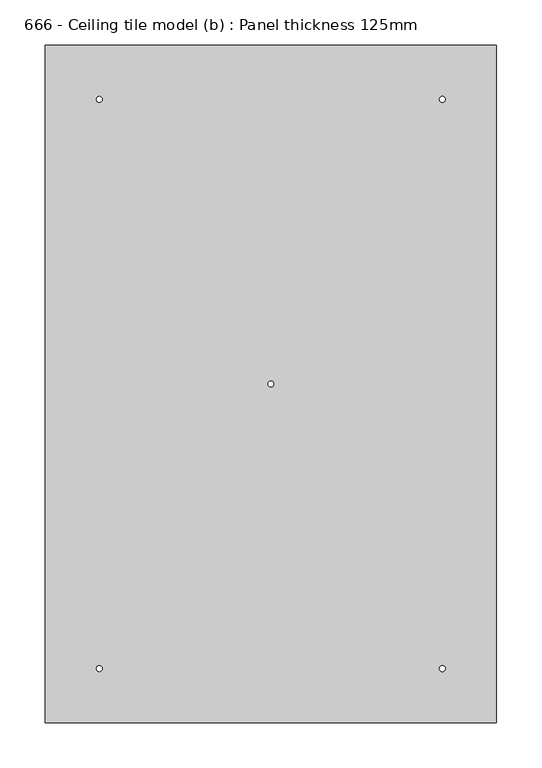
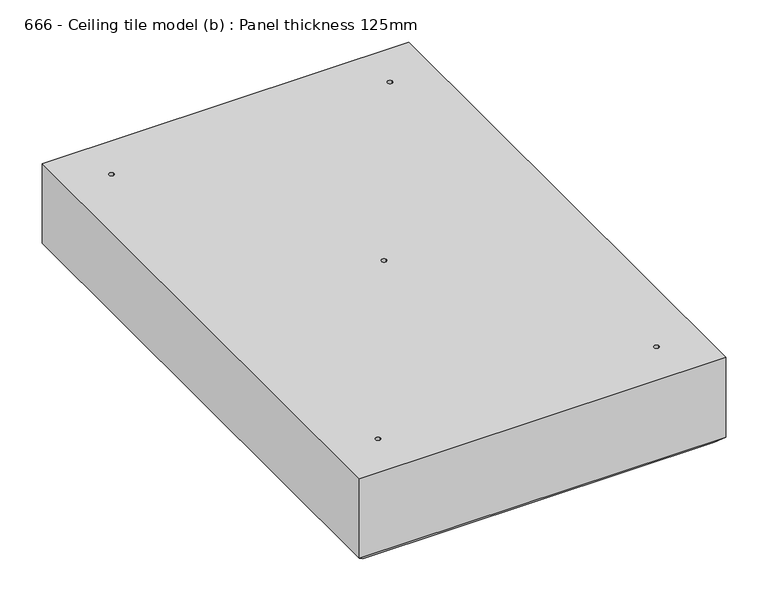
"""IFC4 building model written with IfcOpenShell, lengths in millimetres: proxy geometry, 666 - Ceiling tile model (b) : Panel thickness 125mm."""

import ifcopenshell
import ifcopenshell.guid

model = None  # the IFC model being written
_history = None  # IfcOwnerHistory: only IFC2X3 demands one
_inside = {}  # id of a spatial element -> (the spatial element, [elements in it])
_under = {}  # id of a project, library or spatial element -> (it, [spatial elements below it])
_declared = {}  # id of a project -> (the project, [libraries it declares])
_typed = {}  # id of a type object -> (the type object, [elements of that type])
_made_of = {}  # id of a material, layer set ... -> (it, [elements and type objects made of it])


def new_model(schema):
    """Start an empty IFC model of exactly this schema.

    Asked for "IFC4X3", IfcOpenShell would pick the latest addendum, in which some entities
    have other attributes; the version numbers below select the first issue.
    IFC2X3 requires an IfcOwnerHistory on every rooted entity: one is made here for all.
    """
    global model, _history
    if schema == "IFC4X3":
        model = ifcopenshell.file(schema_version=(4, 3, 0, 0))
    else:
        model = ifcopenshell.file(schema=schema)
    _inside.clear()
    _under.clear()
    _declared.clear()
    _typed.clear()
    _made_of.clear()
    _history = None
    if model.schema == "IFC2X3":
        org = make("IfcOrganization", Name="unknown")
        user = make(
            "IfcPersonAndOrganization",
            ThePerson=make("IfcPerson", FamilyName="unknown"),
            TheOrganization=org,
        )
        app = make(
            "IfcApplication",
            ApplicationDeveloper=org,
            Version="unknown",
            ApplicationFullName="unknown",
            ApplicationIdentifier="unknown",
        )
        _history = make(
            "IfcOwnerHistory",
            OwningUser=user,
            OwningApplication=app,
            ChangeAction="ADDED",
            CreationDate=0,
        )
    return model


def make(cls, **values):
    """One entity of the class cls with the attributes given. An attribute that is None is left unset."""
    return model.create_entity(
        cls, **{name: value for name, value in values.items() if value is not None}
    )


def rooted(cls, **values):
    """An entity with a GlobalId (a new one), such as an element, a storey or a relation."""
    return make(cls, GlobalId=ifcopenshell.guid.new(), OwnerHistory=_history, **values)


def si_unit(unit_type, name, prefix=None):
    """IfcSIUnit, for example si_unit("LENGTHUNIT", "METRE", prefix="MILLI")."""
    return make("IfcSIUnit", UnitType=unit_type, Prefix=prefix, Name=name)


def assignment(units):
    """IfcUnitAssignment: the units of a project."""
    return None if units is None else make("IfcUnitAssignment", Units=units)


def point(xyz):
    """IfcCartesianPoint."""
    return None if xyz is None else make("IfcCartesianPoint", Coordinates=xyz)


def direction(xyz):
    """IfcDirection."""
    return None if xyz is None else make("IfcDirection", DirectionRatios=xyz)


def frame(location, z_axis=None, x_axis=None):
    """IfcAxis2Placement3D, a coordinate frame: its origin and axes. An axis left out is left unset."""
    return make(
        "IfcAxis2Placement3D",
        Location=point(location),
        Axis=direction(z_axis),
        RefDirection=direction(x_axis),
    )


def origin():
    """The frame at (0, 0, 0) with its axes left unset."""
    return frame((0.0, 0.0, 0.0))


def origin_with_axes():
    """The frame at (0, 0, 0) with the z axis (0, 0, 1) and the x axis (1, 0, 0) written out."""
    return frame((0.0, 0.0, 0.0), z_axis=(0.0, 0.0, 1.0), x_axis=(1.0, 0.0, 0.0))


def place(relative_to, where):
    """IfcLocalPlacement: puts the frame where relative to a parent placement (None: the world)."""
    return make(
        "IfcLocalPlacement", PlacementRelTo=relative_to, RelativePlacement=where
    )


def context(
    kind, dimensions, precision=None, world=None, true_north=None, identifier=None
):
    """IfcGeometricRepresentationContext, for example the 3D "Model" context."""
    return make(
        "IfcGeometricRepresentationContext",
        ContextIdentifier=identifier,
        ContextType=kind,
        CoordinateSpaceDimension=dimensions,
        Precision=precision,
        WorldCoordinateSystem=world,
        TrueNorth=true_north,
    )


def project(units=None, contexts=None):
    """IfcProject with its units and contexts."""
    return rooted(
        "IfcProject",
        Name="project",
        RepresentationContexts=contexts,
        UnitsInContext=assignment(units),
    )


def spatial(cls, under=None, at=None, **own):
    """A site, building, storey or space (cls), placed at a placement, below another one or the project."""
    s = rooted(cls, ObjectPlacement=at, **own)
    if under is not None:
        _under.setdefault(under.id(), (under, []))[1].append(s)
    return s


def polyline(points):
    """IfcPolyline through the points."""
    return make("IfcPolyline", Points=[point(p) for p in points])


def circle_curve(where, radius):
    """IfcCircle in the frame where."""
    return make("IfcCircle", Position=where, Radius=radius)


def shape(context_of_items, identifier, shape_type, items):
    """IfcShapeRepresentation: the items that make up one representation, for example the "Body"."""
    return make(
        "IfcShapeRepresentation",
        ContextOfItems=context_of_items,
        RepresentationIdentifier=identifier,
        RepresentationType=shape_type,
        Items=items,
    )


def source(mapping_origin, context_of_items, identifier, shape_type, items):
    """IfcRepresentationMap: a shape defined once, which mapped items show again and again."""
    return make(
        "IfcRepresentationMap",
        MappingOrigin=mapping_origin,
        MappedRepresentation=shape(context_of_items, identifier, shape_type, items),
    )


def transform(
    local_origin,
    x_axis=None,
    y_axis=None,
    z_axis=None,
    scale=None,
    scale2=None,
    scale3=None,
    uniform=True,
):
    """IfcCartesianTransformationOperator3D, or its non-uniform kind. x_axis, y_axis, z_axis: its Axis1, 2, 3."""
    if uniform:
        return make(
            "IfcCartesianTransformationOperator3D",
            Axis1=direction(x_axis),
            Axis2=direction(y_axis),
            LocalOrigin=point(local_origin),
            Scale=scale,
            Axis3=direction(z_axis),
        )
    return make(
        "IfcCartesianTransformationOperator3DnonUniform",
        Axis1=direction(x_axis),
        Axis2=direction(y_axis),
        LocalOrigin=point(local_origin),
        Scale=scale,
        Axis3=direction(z_axis),
        Scale2=scale2,
        Scale3=scale3,
    )


def mapped(mapping_source, mapping_target):
    """IfcMappedItem: shows the shape of a source again, moved by a transform."""
    return make(
        "IfcMappedItem", MappingSource=mapping_source, MappingTarget=mapping_target
    )


def made_of(thing, what):
    """Note that an element or type object is made of a material, layer set ...; save() writes the relation."""
    if what is not None:
        _made_of.setdefault(what.id(), (what, []))[1].append(thing)
    return thing


def element(
    cls,
    number,
    at=None,
    inside=None,
    cuts=None,
    type_object=None,
    material=None,
    context=None,
    identifier="Body",
    shape_type=None,
    held_by="IfcProductDefinitionShape",
    body=None,
    shapes=None,
    **own,
):
    """One element of the class cls, such as IfcWall. Its Tag is "e" and its number.

    at: its placement. inside: the storey or other place that contains it. cuts: it is an
    opening in that element (IfcRelVoidsElement). A single representation is given by context,
    identifier, shape_type and body (its items); several are given by shapes. held_by: the class
    of the entity that holds the representations. save() writes the other relations.
    """
    e = rooted(cls, Tag="e%d" % number, ObjectPlacement=at, **own)
    if body is not None:
        shapes = [shape(context, identifier, shape_type, body)]
    if shapes is not None:
        e.Representation = make(held_by, Representations=shapes)
    if inside is not None:
        _inside.setdefault(inside.id(), (inside, []))[1].append(e)
    if cuts is not None:
        rooted(
            "IfcRelVoidsElement", RelatingBuildingElement=cuts, RelatedOpeningElement=e
        )
    if type_object is not None:
        _typed.setdefault(type_object.id(), (type_object, []))[1].append(e)
    return made_of(e, material)


def aggregate(whole, parts):
    """IfcRelAggregates: a whole, such as a stair, and the parts it consists of."""
    return rooted("IfcRelAggregates", RelatingObject=whole, RelatedObjects=parts)


def save(model, path):
    """Write the relations noted so far, then the file.

    IfcRelAggregates (storeys below a building ...), IfcRelContainedInSpatialStructure (elements
    in a storey), IfcRelDefinesByType, IfcRelAssociatesMaterial and IfcRelDeclares: one each for
    every whole, place, type object, material and project.
    """
    for whole, parts in _under.values():
        aggregate(whole, parts)
    for where, things in _inside.values():
        rooted(
            "IfcRelContainedInSpatialStructure",
            RelatedElements=things,
            RelatingStructure=where,
        )
    for kind, things in _typed.values():
        rooted("IfcRelDefinesByType", RelatedObjects=things, RelatingType=kind)
    for what, things in _made_of.values():
        rooted("IfcRelAssociatesMaterial", RelatedObjects=things, RelatingMaterial=what)
    for by, libraries in _declared.values():
        rooted("IfcRelDeclares", RelatingContext=by, RelatedDefinitions=libraries)
    model.write(path)


def plane_surface(at):
    """IfcPlane: the flat surface through the origin of the frame at, square to its z axis."""
    return make("IfcPlane", Position=at)


def revolved_surface(curve, axis_point, axis_direction):
    """IfcSurfaceOfRevolution: the curve turned about the line through axis_point along axis_direction."""
    return make(
        "IfcSurfaceOfRevolution",
        SweptCurve=make("IfcArbitraryOpenProfileDef", ProfileType="CURVE", Curve=curve),
        AxisPosition=make("IfcAxis1Placement", Location=point(axis_point), Axis=direction(axis_direction)),
    )


def advanced_brep(points, edges, surfaces, faces):
    """IfcAdvancedBrep: a solid bounded by faces that lie on surfaces and meet in shared edges.

    An edge is (start, end): straight between two places in points (the first is 0);
    or (start, end, curve); or (start, end, curve, False) where it runs against its curve.
    A face is (place in surfaces, loops), or (place, loops, False) where it looks against
    its surface's normal. A loop lists edges by number (the first is 1), with a minus sign
    where the edge is run from its end to its start. The first loop is the outer one.
    """
    corners = [point(p) for p in points]
    vertices = [make("IfcVertexPoint", VertexGeometry=c) for c in corners]
    made = []
    for start, end, *more in edges:
        made.append(
            make(
                "IfcEdgeCurve",
                EdgeStart=vertices[start],
                EdgeEnd=vertices[end],
                EdgeGeometry=more[0] if more else make("IfcPolyline", Points=[corners[start], corners[end]]),
                SameSense=more[1] if len(more) > 1 else True,
            )
        )
    hull = []
    for where, loops, *sense in faces:
        bounds = []
        for j, loop in enumerate(loops):
            ring = [make("IfcOrientedEdge", EdgeElement=made[abs(k) - 1], Orientation=k > 0) for k in loop]
            bounds.append(
                make(
                    "IfcFaceOuterBound" if j == 0 else "IfcFaceBound",
                    Bound=make("IfcEdgeLoop", EdgeList=ring),
                    Orientation=True,
                )
            )
        hull.append(make("IfcAdvancedFace", Bounds=bounds, FaceSurface=surfaces[where], SameSense=sense[0] if sense else True))
    return make("IfcAdvancedBrep", Outer=make("IfcClosedShell", CfsFaces=hull))


def proxy_666_ceiling_tile_model_b_panel_thickness_125mm_a2addcd1(model_context):
    return source(origin(), model_context, "Body", "AdvancedBrep", [
        advanced_brep(
        [(250.0, 375.0, 125.0), (-250.0, 375.0, 125.0), (-250.0, -375.0, 125.0), (250.0, -375.0, 125.0), (-186.75, -315.0, 125.0), (-193.25, -315.0, 125.0), (193.25, -315.0, 125.0), (186.75, -315.0, 125.0), (193.25, 315.0, 125.0), (186.75, 315.0, 125.0), (-186.75, 315.0, 125.0), (-193.25, 315.0, 125.0), (3.25, 0.0, 125.0), (-3.25, 0.0, 125.0), (240.0, -365.0, 0.0), (-240.0, -365.0, 0.0), (-240.0, 365.0, 0.0), (240.0, 365.0, 0.0), (-193.25, -315.0, 0.0), (-186.75, -315.0, 0.0), (186.75, -315.0, 0.0), (193.25, -315.0, 0.0), (186.75, 315.0, 0.0), (193.25, 315.0, 0.0), (-193.25, 315.0, 0.0), (-186.75, 315.0, 0.0), (-3.25, 0.0, 0.0), (3.25, 0.0, 0.0), (250.0, 375.0, 10.0), (-250.0, 375.0, 10.0), (-250.0, -375.0, 10.0), (250.0, -375.0, 10.0)],
        [
            (0, 1),
            (1, 2),
            (2, 3),
            (3, 0),
            (4, 5, circle_curve(frame((-190.0, -315.0, 125.0), z_axis=(0.0, 0.0, -1.0), x_axis=(1.0, 0.0, 0.0)), 3.25)),
            (5, 4, circle_curve(frame((-190.0, -315.0, 125.0), z_axis=(0.0, 0.0, -1.0), x_axis=(1.0, 0.0, 0.0)), 3.25)),
            (6, 7, circle_curve(frame((190.0, -315.0, 125.0), z_axis=(0.0, 0.0, -1.0), x_axis=(1.0, 0.0, 0.0)), 3.25)),
            (7, 6, circle_curve(frame((190.0, -315.0, 125.0), z_axis=(0.0, 0.0, -1.0), x_axis=(1.0, 0.0, 0.0)), 3.25)),
            (8, 9, circle_curve(frame((190.0, 315.0, 125.0), z_axis=(0.0, 0.0, -1.0), x_axis=(1.0, 0.0, 0.0)), 3.25)),
            (9, 8, circle_curve(frame((190.0, 315.0, 125.0), z_axis=(0.0, 0.0, -1.0), x_axis=(1.0, 0.0, 0.0)), 3.25)),
            (10, 11, circle_curve(frame((-190.0, 315.0, 125.0), z_axis=(0.0, 0.0, -1.0), x_axis=(1.0, 0.0, 0.0)), 3.25)),
            (11, 10, circle_curve(frame((-190.0, 315.0, 125.0), z_axis=(0.0, 0.0, -1.0), x_axis=(1.0, 0.0, 0.0)), 3.25)),
            (12, 13, circle_curve(frame((0.0, 0.0, 125.0), z_axis=(0.0, 0.0, -1.0), x_axis=(1.0, 0.0, 0.0)), 3.25)),
            (13, 12, circle_curve(frame((0.0, 0.0, 125.0), z_axis=(0.0, 0.0, -1.0), x_axis=(1.0, 0.0, 0.0)), 3.25)),
            (14, 15),
            (15, 16),
            (16, 17),
            (17, 14),
            (18, 19, circle_curve(frame((-190.0, -315.0, 0.0), z_axis=(0.0, 0.0, 1.0), x_axis=(1.0, 0.0, 0.0)), 3.25)),
            (19, 18, circle_curve(frame((-190.0, -315.0, 0.0), z_axis=(0.0, 0.0, 1.0), x_axis=(1.0, 0.0, 0.0)), 3.25)),
            (20, 21, circle_curve(frame((190.0, -315.0, 0.0), z_axis=(0.0, 0.0, 1.0), x_axis=(1.0, 0.0, 0.0)), 3.25)),
            (21, 20, circle_curve(frame((190.0, -315.0, 0.0), z_axis=(0.0, 0.0, 1.0), x_axis=(1.0, 0.0, 0.0)), 3.25)),
            (22, 23, circle_curve(frame((190.0, 315.0, 0.0), z_axis=(0.0, 0.0, 1.0), x_axis=(1.0, 0.0, 0.0)), 3.25)),
            (23, 22, circle_curve(frame((190.0, 315.0, 0.0), z_axis=(0.0, 0.0, 1.0), x_axis=(1.0, 0.0, 0.0)), 3.25)),
            (24, 25, circle_curve(frame((-190.0, 315.0, 0.0), z_axis=(0.0, 0.0, 1.0), x_axis=(1.0, 0.0, 0.0)), 3.25)),
            (25, 24, circle_curve(frame((-190.0, 315.0, 0.0), z_axis=(0.0, 0.0, 1.0), x_axis=(1.0, 0.0, 0.0)), 3.25)),
            (26, 27, circle_curve(origin_with_axes(), 3.25)),
            (27, 26, circle_curve(origin_with_axes(), 3.25)),
            (0, 28),
            (28, 29),
            (29, 1),
            (29, 30),
            (30, 2),
            (30, 31),
            (31, 3),
            (31, 28),
            (4, 19),
            (18, 5),
            (6, 21),
            (20, 7),
            (8, 23),
            (22, 9),
            (10, 25),
            (24, 11),
            (12, 27),
            (26, 13),
            (30, 15),
            (14, 31),
            (29, 16),
            (28, 17),
        ],
        [
            plane_surface(frame((-250.0, 375.0, 125.0), z_axis=(0.0, 0.0, 1.0), x_axis=(-1.0, 0.0, 0.0))),
            plane_surface(frame((-250.0, 375.0, 0.0), z_axis=(0.0, 0.0, -1.0), x_axis=(1.0, 0.0, 0.0))),
            plane_surface(frame((250.0, 375.0, 125.0), z_axis=(0.0, 1.0, 0.0), x_axis=(0.0, 0.0, -1.0))),
            plane_surface(frame((-250.0, 375.0, 125.0), z_axis=(-1.0, 0.0, 0.0), x_axis=(0.0, 0.0, -1.0))),
            plane_surface(frame((-250.0, -375.0, 125.0), z_axis=(0.0, -1.0, 0.0), x_axis=(0.0, 0.0, -1.0))),
            plane_surface(frame((250.0, -375.0, 125.0), z_axis=(1.0, 0.0, 0.0), x_axis=(0.0, 0.0, -1.0))),
            revolved_surface(polyline([(-186.75, -315.0, 125.0), (-186.75, -315.0, 0.0)]), (-190.0, -315.0, 0.0), (0.0, 0.0, 1.0)),
            revolved_surface(polyline([(193.25, -315.0, 125.0), (193.25, -315.0, 0.0)]), (190.0, -315.0, 0.0), (0.0, 0.0, 1.0)),
            revolved_surface(polyline([(193.25, 315.0, 125.0), (193.25, 315.0, 0.0)]), (190.0, 315.0, 0.0), (0.0, 0.0, 1.0)),
            revolved_surface(polyline([(-186.75, 315.0, 125.0), (-186.75, 315.0, 0.0)]), (-190.0, 315.0, 0.0), (0.0, 0.0, 1.0)),
            revolved_surface(polyline([(3.25, 0.0, 125.0), (3.25, 0.0, 0.0)]), (0.0, 0.0, 0.0), (0.0, 0.0, 1.0)),
            plane_surface(frame((240.0, -365.0, 0.0), z_axis=(0.0, -0.7071067811865464, -0.7071067811865488), x_axis=(-1.0, 0.0, 0.0))),
            plane_surface(frame((-240.0, -365.0, 0.0), z_axis=(-0.7071067811865464, 0.0, -0.7071067811865488), x_axis=(0.0, 1.0, 0.0))),
            plane_surface(frame((-240.0, 365.0, 0.0), z_axis=(0.0, 0.7071067811865464, -0.7071067811865488), x_axis=(1.0, 0.0, 0.0))),
            plane_surface(frame((240.0, 365.0, 0.0), z_axis=(0.7071067811865464, 0.0, -0.7071067811865488), x_axis=(0.0, -1.0, 0.0))),
        ],
        [
            (0, [[1, 2, 3, 4], [5, 6], [7, 8], [9, 10], [11, 12], [13, 14]]),
            (1, [[15, 16, 17, 18], [19, 20], [21, 22], [23, 24], [25, 26], [27, 28]]),
            (2, [[-1, 29, 30, 31]]),
            (3, [[-2, -31, 32, 33]]),
            (4, [[-3, -33, 34, 35]]),
            (5, [[-4, -35, 36, -29]]),
            (6, [[37, -19, 38, -5]]),
            (6, [[-37, -6, -38, -20]]),
            (7, [[39, -21, 40, -7]]),
            (7, [[-39, -8, -40, -22]]),
            (8, [[41, -23, 42, -9]]),
            (8, [[-41, -10, -42, -24]]),
            (9, [[43, -25, 44, -11]]),
            (9, [[-43, -12, -44, -26]]),
            (10, [[45, -27, 46, -13]]),
            (10, [[-45, -14, -46, -28]]),
            (11, [[47, -15, 48, -34]]),
            (12, [[-47, -32, 49, -16]]),
            (13, [[-49, -30, 50, -17]]),
            (14, [[-48, -18, -50, -36]]),
        ],
    ),
    ])


if __name__ == "__main__":
    model = new_model("IFC4")
    model_context = context("Model", 3, world=origin())
    ifc_project = project(units=[si_unit("LENGTHUNIT", "METRE", prefix="MILLI")], contexts=[model_context])
    site = spatial("IfcSite", under=ifc_project)
    building = spatial("IfcBuilding", under=site)
    placement = place(None, origin())
    proxy_666_ceiling_tile_model_b_panel_thickness_125mm_shape = proxy_666_ceiling_tile_model_b_panel_thickness_125mm_a2addcd1(model_context)
    element("IfcBuildingElementProxy", 1, Name="666 - Ceiling tile model (b) : Panel thickness 125mm", ObjectType="666 - Ceiling tile model (b) : Panel thickness 125mm", at=placement, inside=building, context=model_context, shape_type="MappedRepresentation", body=[
        mapped(proxy_666_ceiling_tile_model_b_panel_thickness_125mm_shape, transform((0.0, 0.0, 0.0), x_axis=(1.0, 0.0, 0.0), y_axis=(0.0, 1.0, 0.0), z_axis=(0.0, 0.0, 1.0))),
    ])
    save(model, "model.ifc")
